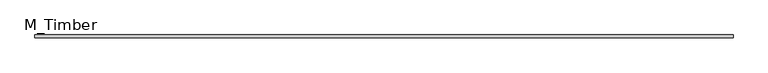
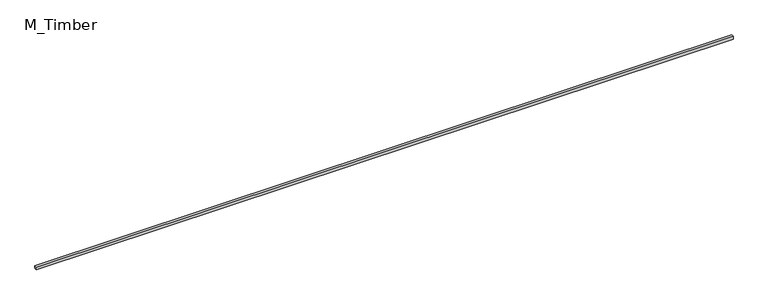
"""IFC4 building model written with IfcOpenShell, lengths in millimetres: beam geometry, M_Timber."""

from ifc_helpers import new_model, si_unit, frame, origin, place, context, project, spatial, polyline, outline, extrude, source, transform, mapped, element, save


def m_timber_96140ab4(model_context):
    return source(origin(), model_context, "Body", "SweptSolid", [
        extrude(outline(polyline([(5100.0562601, 20.0), (5100.0562601, -20.0), (-5100.0562601, -20.0), (-5100.0562601, 20.0), (5100.0562601, 20.0)])), frame((0.0, 0.0, -20.0), z_axis=(0.0, 0.0, 1.0), x_axis=(1.0, 0.0, 0.0)), (0.0, 0.0, 1.0), 40.0),
    ])


if __name__ == "__main__":
    model = new_model("IFC4")
    model_context = context("Model", 3, world=origin())
    ifc_project = project(units=[si_unit("LENGTHUNIT", "METRE", prefix="MILLI")], contexts=[model_context])
    site = spatial("IfcSite", under=ifc_project)
    building = spatial("IfcBuilding", under=site)
    placement = place(None, origin())
    m_timber_shape = m_timber_96140ab4(model_context)
    element("IfcBeam", 1, ObjectType="M_Timber", at=placement, inside=building, context=model_context, shape_type="MappedRepresentation", body=[
        mapped(m_timber_shape, transform((0.0, 0.0, 0.0), x_axis=(1.0, 0.0, 0.0), y_axis=(0.0, 1.0, 0.0), z_axis=(0.0, 0.0, 1.0))),
    ])
    save(model, "model.ifc")
